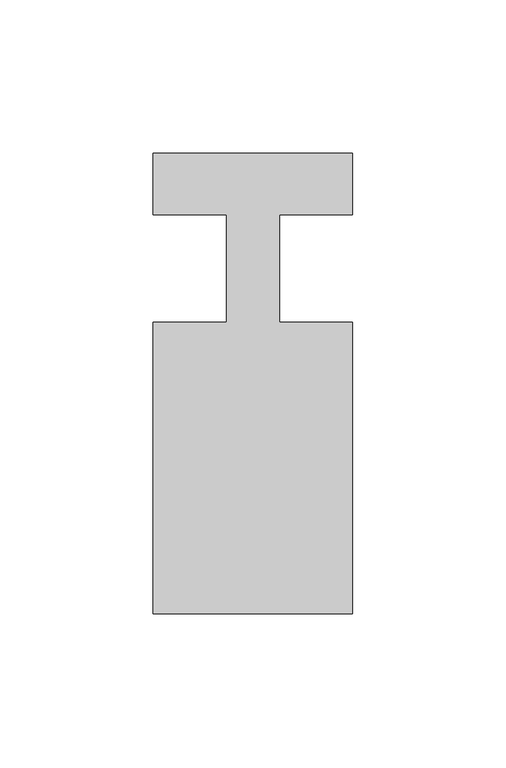
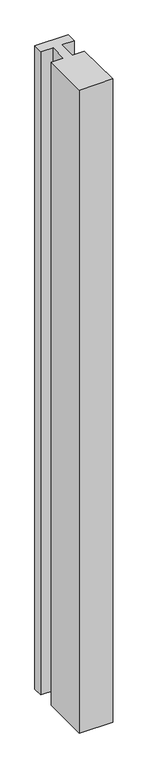
"""IFC4 building model written with IfcOpenShell, lengths in millimetres: member geometry."""

from ifc_helpers import new_model, si_unit, frame, origin, place, context, project, spatial, polyline, outline, extrude, source, transform, mapped, element, save


def member_4850bc89(model_context):
    return source(origin(), model_context, "Body", "SweptSolid", [
        extrude(outline(polyline([(-65.0, 37.0), (0.0, 37.0), (0.0, 17.0), (-23.8125, 17.0), (-23.8125, -18.0), (0.0, -18.0), (0.0, -113.0), (-65.0, -113.0), (-65.0, -18.0), (-41.1875, -18.0), (-41.1875, 17.0), (-65.0, 17.0), (-65.0, 37.0)])), frame((0.0, 0.0, -1326.7391304), z_axis=(0.0, 0.0, 1.0), x_axis=(1.0, 0.0, 0.0)), (0.0, 0.0, 1.0), 1326.7391304),
    ])


if __name__ == "__main__":
    model = new_model("IFC4")
    model_context = context("Model", 3, world=origin())
    ifc_project = project(units=[si_unit("LENGTHUNIT", "METRE", prefix="MILLI")], contexts=[model_context])
    site = spatial("IfcSite", under=ifc_project)
    building = spatial("IfcBuilding", under=site)
    placement = place(None, origin())
    member_shape = member_4850bc89(model_context)
    element("IfcMember", 1, at=placement, inside=building, context=model_context, shape_type="MappedRepresentation", body=[
        mapped(member_shape, transform((0.0, 0.0, 0.0), x_axis=(1.0, 0.0, 0.0), y_axis=(0.0, 1.0, 0.0), z_axis=(0.0, 0.0, 1.0))),
    ])
    save(model, "model.ifc")
